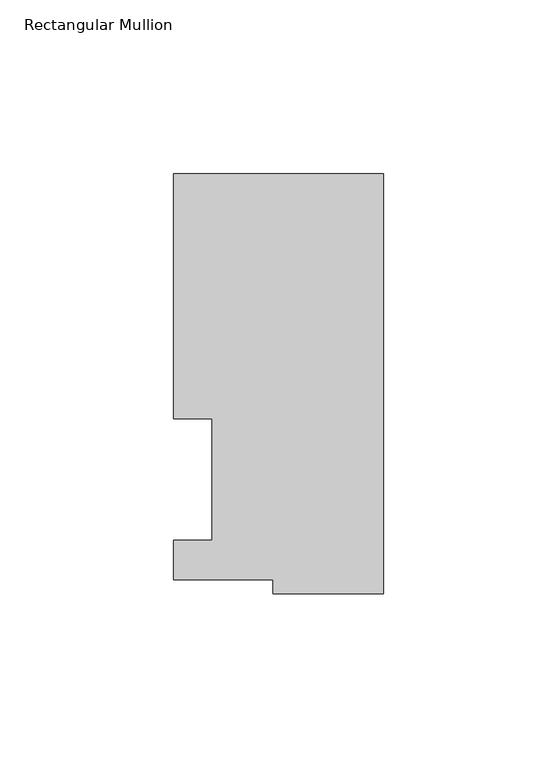
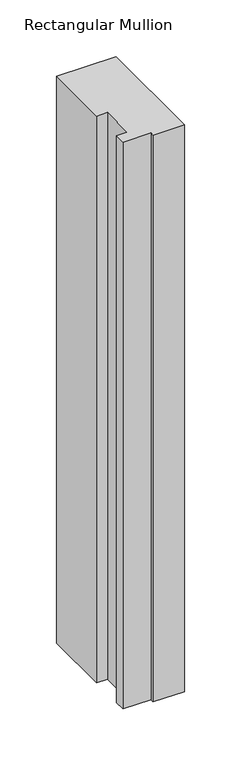
"""IFC4 building model written with IfcOpenShell, lengths in millimetres: member geometry, Rectangular Mullion."""

from ifc_helpers import new_model, si_unit, frame, origin, place, context, project, spatial, polyline, outline, extrude, source, transform, mapped, element, save


def rectangular_mullion_a16bd708(model_context):
    return source(origin(), model_context, "Body", "SweptSolid", [
        extrude(outline(polyline([(0.0, 117.4859878), (0.0, -3.316385), (-31.7501015, -3.316385), (-31.7501015, 0.7221701), (-60.3251015, 0.7221701), (-60.3251015, 12.1267878), (-49.2253015, 12.1267878), (-49.2253015, 47.0517878), (-60.3251015, 47.0517878), (-60.3251015, 117.4859878), (0.0, 117.4859878)])), frame((0.0, 0.0, -609.6), z_axis=(0.0, 0.0, 1.0), x_axis=(1.0, 0.0, 0.0)), (0.0, 0.0, 1.0), 609.6),
    ])


if __name__ == "__main__":
    model = new_model("IFC4")
    model_context = context("Model", 3, world=origin())
    ifc_project = project(units=[si_unit("LENGTHUNIT", "METRE", prefix="MILLI")], contexts=[model_context])
    site = spatial("IfcSite", under=ifc_project)
    building = spatial("IfcBuilding", under=site)
    placement = place(None, origin())
    rectangular_mullion_shape = rectangular_mullion_a16bd708(model_context)
    element("IfcMember", 1, ObjectType="Rectangular Mullion", at=placement, inside=building, context=model_context, shape_type="MappedRepresentation", body=[
        mapped(rectangular_mullion_shape, transform((0.0, 0.0, 0.0), x_axis=(1.0, 0.0, 0.0), y_axis=(0.0, 1.0, 0.0), z_axis=(0.0, 0.0, 1.0))),
    ])
    save(model, "model.ifc")
